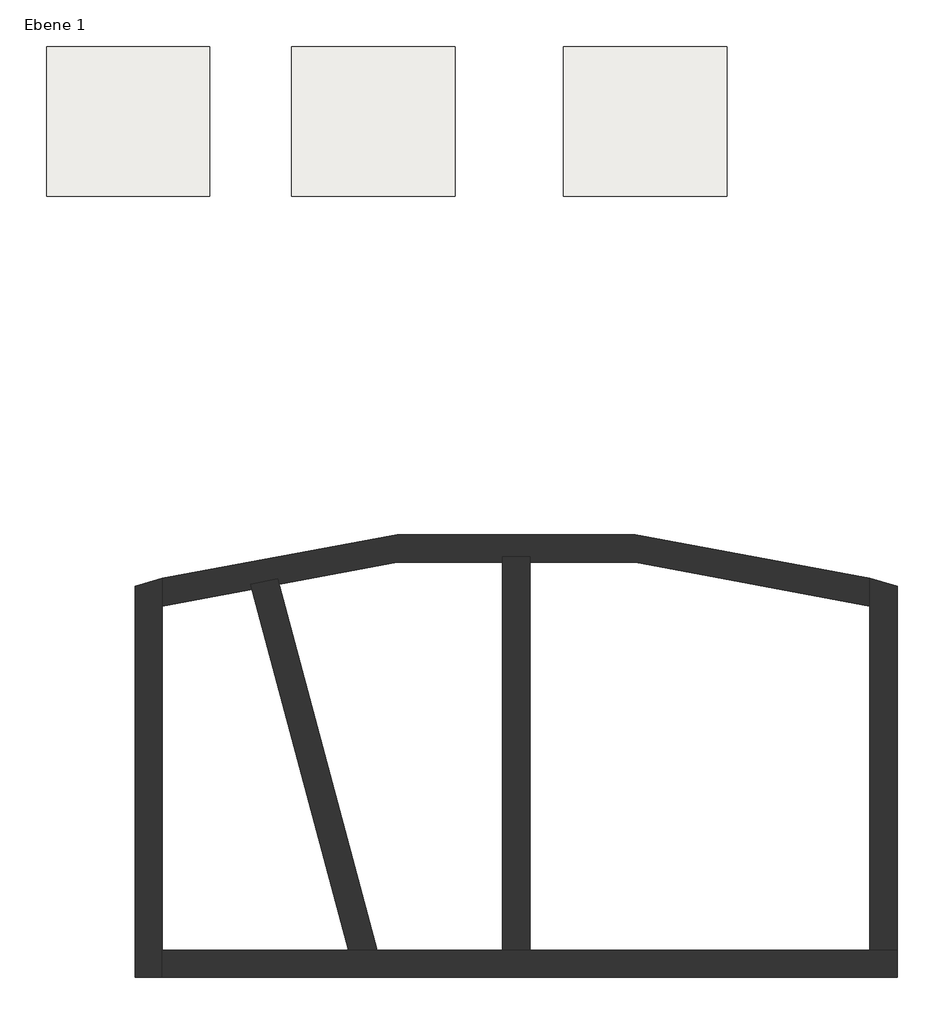
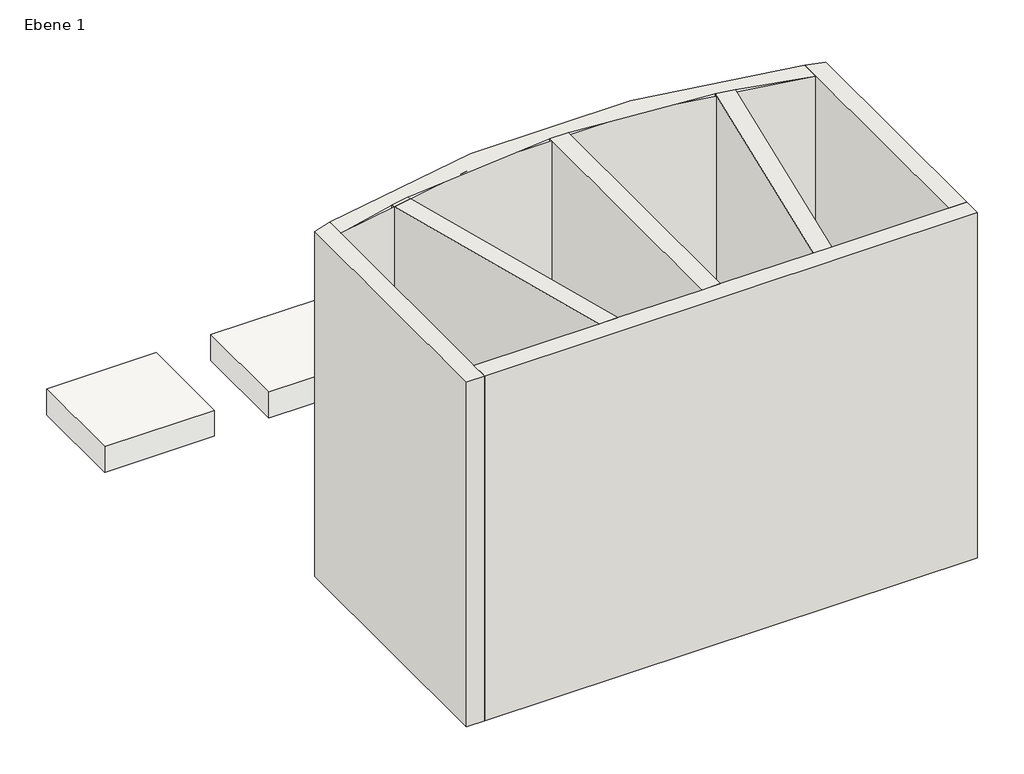
# One storey: 7 walls, 3 slabs.
"""IFC4 building model written with IfcOpenShell, lengths in millimetres."""

from ifc_helpers import new_model, si_unit, point, frame, frame_2d, origin, origin_with_axes, place, context, project, spatial, polyline, circle_curve, trimmed, segment, composite_curve, outline, extrude, faceted_brep, element, save
from ifc_brep_helpers import plane_surface, cylinder_surface, revolved_surface, advanced_brep

model = new_model("IFC4")

# Units and contexts
model_context = context("Model", 3, world=origin())
ifc_project = project(units=[si_unit("LENGTHUNIT", "METRE", prefix="MILLI")], contexts=[model_context])

# Site, building, storey
site = spatial("IfcSite", under=ifc_project)
building = spatial("IfcBuilding", under=site)
storey = spatial("IfcBuildingStorey", under=building, Name="Ebene 1", Elevation=0.0)

# Slabs
placement = place(None, origin())
element("IfcSlab", 1, at=placement, inside=storey, context=model_context, shape_type="SweptSolid", body=[
    extrude(outline(polyline([(4680.9918897, 8255.8015782), (4680.9918897, 7155.8015782), (3480.9918897, 7155.8015782), (3480.9918897, 8255.8015782), (4680.9918897, 8255.8015782)])), frame((0.0, 0.0, -300.0), z_axis=(0.0, 0.0, 1.0), x_axis=(1.0, 0.0, 0.0)), (0.0, 0.0, 1.0), 300.0),
])
element("IfcSlab", 2, ObjectType="FGS", at=placement, inside=storey, context=model_context, shape_type="SweptSolid", body=[
    extrude(outline(polyline([(880.9918897, 8255.8015782), (880.9918897, 7155.8015782), (-319.0081103, 7155.8015782), (-319.0081103, 8255.8015782), (880.9918897, 8255.8015782)])), frame((0.0, 0.0, -300.0), z_axis=(0.0, 0.0, 1.0), x_axis=(1.0, 0.0, 0.0)), (0.0, 0.0, 1.0), 300.0),
])
element("IfcSlab", 3, ObjectType="FLS", at=placement, inside=storey, context=model_context, shape_type="SweptSolid", body=[
    extrude(outline(polyline([(2680.9918897, 8255.8015782), (2680.9918897, 7155.8015782), (1480.9918897, 7155.8015782), (1480.9918897, 8255.8015782), (2680.9918897, 8255.8015782)])), frame((0.0, 0.0, -300.0), z_axis=(0.0, 0.0, 1.0), x_axis=(1.0, 0.0, 0.0)), (0.0, 0.0, 1.0), 300.0),
])

# Walls
element("IfcWall", 4, at=placement, inside=storey, context=model_context, shape_type="AdvancedBrep", body=[
    advanced_brep(
    [(531.985141, 1419.3100373, 0.0), (531.985141, 1619.3100373, 0.0), (531.985141, 4144.3005184, 0.0), (531.985141, 4352.2089597, 0.0), (531.985141, 4352.2089597, 4000.0), (531.985141, 4144.3005184, 4000.0), (531.985141, 1619.3100373, 4000.0), (531.985141, 1419.3100373, 4000.0), (331.985141, 1419.3100373, 0.0), (331.985141, 1419.3100373, 4000.0), (331.985141, 4293.7081002, 4000.0), (331.985141, 4293.7081002, 0.0)],
    [
        (0, 1),
        (1, 2),
        (2, 3),
        (3, 4),
        (4, 5),
        (5, 6),
        (6, 7),
        (7, 0),
        (8, 9),
        (9, 10),
        (10, 11),
        (11, 8),
        (0, 8),
        (11, 3, circle_curve(frame((3131.985141, -4907.675083, 0.0), z_axis=(0.0, 0.0, -1.0), x_axis=(1.0, 0.0, 0.0)), 9617.9754878)),
        (4, 10, circle_curve(frame((3131.985141, -4907.675083, 4000.0), z_axis=(0.0, 0.0, 1.0), x_axis=(1.0, 0.0, 0.0)), 9617.9754878)),
        (9, 7),
    ],
    [
        plane_surface(frame((531.985141, 3919.3100373, 0.0), z_axis=(1.0, 0.0, 0.0), x_axis=(0.0, 1.0, 0.0))),
        plane_surface(frame((331.985141, 3919.3100373, 0.0), z_axis=(-1.0, 0.0, 0.0), x_axis=(0.0, -1.0, 0.0))),
        plane_surface(frame((531.985141, 1519.3100373, 0.0), z_axis=(0.0, 0.0, -1.0), x_axis=(-1.0, 0.0, 0.0))),
        plane_surface(frame((531.985141, 4219.3100373, 4000.0), z_axis=(0.0, 0.0, 1.0), x_axis=(-1.0, 0.0, 0.0))),
        plane_surface(frame((5831.985141, 1419.3100373, 0.0), z_axis=(0.0, -1.0, 0.0), x_axis=(1.0, 0.0, 0.0))),
        cylinder_surface(frame((3131.985141, -4907.675083, 0.0), z_axis=(0.0, 0.0, 1.0), x_axis=(1.0, 0.0, 0.0)), 9617.9754878),
    ],
    [
        (0, [[1, 2, 3, 4, 5, 6, 7, 8]]),
        (1, [[9, 10, 11, 12]]),
        (2, [[-3, -2, -1, 13, -12, 14]]),
        (3, [[-7, -6, -5, 15, -10, 16]]),
        (4, [[-8, -16, -9, -13]]),
        (5, [[-4, -14, -11, -15]]),
    ],
),
])
element("IfcWall", 5, at=placement, inside=storey, context=model_context, shape_type="Brep", body=[
    faceted_brep([(5931.985141, 1619.3100373, 0.0), (5731.985141, 1619.3100373, 0.0), (4452.3845648, 1619.3100373, 0.0), (4248.9282651, 1619.3100373, 0.0), (3231.985141, 1619.3100373, 0.0), (3031.985141, 1619.3100373, 0.0), (2108.7178398, 1619.3100373, 0.0), (1901.6626037, 1619.3100373, 0.0), (531.985141, 1619.3100373, 0.0), (531.985141, 1619.3100373, 4000.0), (1901.6626037, 1619.3100373, 4000.0), (2108.7178398, 1619.3100373, 4000.0), (3031.985141, 1619.3100373, 4000.0), (3231.985141, 1619.3100373, 4000.0), (4248.9282651, 1619.3100373, 4000.0), (4452.3845648, 1619.3100373, 4000.0), (5731.985141, 1619.3100373, 4000.0), (5931.985141, 1619.3100373, 4000.0), (5931.985141, 1419.3100373, 0.0), (5931.985141, 1419.3100373, 4000.0), (531.985141, 1419.3100373, 4000.0), (531.985141, 1419.3100373, 0.0)], [[[0, 1, 2, 3, 4, 5, 6, 7, 8, 9, 10, 11, 12, 13, 14, 15, 16, 17]], [[18, 19, 20, 21]], [[8, 7, 6, 5, 4, 3, 2, 1, 0, 18, 21]], [[17, 16, 15, 14, 13, 12, 11, 10, 9, 20, 19]], [[0, 17, 19, 18]], [[9, 8, 21, 20]]]),
])
element("IfcWall", 6, at=placement, inside=storey, context=model_context, shape_type="AdvancedBrep", body=[
    advanced_brep(
    [(5731.985141, 4352.2089597, 0.0), (5731.985141, 4144.3005184, 0.0), (5731.985141, 1619.3100373, 0.0), (5731.985141, 1619.3100373, 4000.0), (5731.985141, 4144.3005184, 4000.0), (5731.985141, 4352.2089597, 4000.0), (5931.985141, 4293.7081002, 0.0), (5931.985141, 4293.7081002, 4000.0), (5931.985141, 1619.3100373, 4000.0), (5931.985141, 1619.3100373, 0.0)],
    [
        (0, 1),
        (1, 2),
        (2, 3),
        (3, 4),
        (4, 5),
        (5, 0),
        (6, 7),
        (7, 8),
        (8, 9),
        (9, 6),
        (0, 6, circle_curve(frame((3131.985141, -4907.675083, 0.0), z_axis=(0.0, 0.0, -1.0), x_axis=(1.0, 0.0, 0.0)), 9617.9754878)),
        (9, 2),
        (3, 8),
        (7, 5, circle_curve(frame((3131.985141, -4907.675083, 4000.0), z_axis=(0.0, 0.0, 1.0), x_axis=(1.0, 0.0, 0.0)), 9617.9754878)),
    ],
    [
        plane_surface(frame((5731.985141, 4219.3100373, 0.0), z_axis=(-1.0, 0.0, 0.0), x_axis=(0.0, -1.0, 0.0))),
        plane_surface(frame((5931.985141, 4219.3100373, 0.0), z_axis=(1.0, 0.0, 0.0), x_axis=(0.0, 1.0, 0.0))),
        plane_surface(frame((5731.985141, 4219.3100373, 0.0), z_axis=(0.0, 0.0, -1.0), x_axis=(1.0, 0.0, 0.0))),
        plane_surface(frame((5731.985141, 1519.3100373, 4000.0), z_axis=(0.0, 0.0, 1.0), x_axis=(1.0, 0.0, 0.0))),
        cylinder_surface(frame((3131.985141, -4907.675083, 0.0), z_axis=(0.0, 0.0, 1.0), x_axis=(1.0, 0.0, 0.0)), 9617.9754878),
        plane_surface(frame((5831.985141, 1619.3100373, 0.0), z_axis=(0.0, -1.0, 0.0), x_axis=(-1.0, 0.0, 0.0))),
    ],
    [
        (0, [[1, 2, 3, 4, 5, 6]]),
        (1, [[7, 8, 9, 10]]),
        (2, [[-2, -1, 11, -10, 12]]),
        (3, [[-5, -4, 13, -8, 14]]),
        (4, [[-6, -14, -7, -11]]),
        (5, [[-3, -12, -9, -13]]),
    ],
),
])
element("IfcWall", 7, at=placement, inside=storey, context=model_context, shape_type="AdvancedBrep", body=[
    advanced_brep(
    [(5731.985141, 4352.2089597, 4000.0), (531.985141, 4352.2089597, 4000.0), (531.985141, 4144.3005184, 4000.0), (1181.7215376, 4306.1587585, 4000.0), (1378.2227656, 4345.5716217, 4000.0), (3031.9785841, 4509.76923, 4000.0), (3231.9862487, 4509.7694617, 4000.0), (4762.1653086, 4368.1414114, 4000.0), (4958.764131, 4331.4341643, 4000.0), (5731.985141, 4144.3005184, 4000.0), (5731.985141, 4352.2089597, 0.0), (5731.985141, 4144.3005184, 0.0), (4958.764131, 4331.4341643, 0.0), (4762.1653086, 4368.1414114, 0.0), (3231.9862487, 4509.7694617, 0.0), (3031.9785841, 4509.76923, 0.0), (1378.2227656, 4345.5716217, 0.0), (1181.7215376, 4306.1587585, 0.0), (531.985141, 4144.3005184, 0.0), (531.985141, 4352.2089597, 0.0)],
    [
        (0, 1, circle_curve(frame((3131.985141, -4907.675083, 4000.0), z_axis=(0.0, 0.0, 1.0), x_axis=(1.0, 0.0, 0.0)), 9617.9754878)),
        (1, 2),
        (2, 3, circle_curve(frame((3131.985141, -4907.675083, 4000.0), z_axis=(0.0, 0.0, -1.0), x_axis=(1.0, 0.0, 0.0)), 9417.9754878)),
        (3, 4, circle_curve(frame((3131.985141, -4907.675083, 4000.0), z_axis=(0.0, 0.0, -1.0), x_axis=(1.0, 0.0, 0.0)), 9417.9754821)),
        (4, 5, circle_curve(frame((3131.985141, -4907.675083, 4000.0), z_axis=(0.0, 0.0, -1.0), x_axis=(1.0, 0.0, 0.0)), 9417.9752095)),
        (5, 6, circle_curve(frame((3131.985141, -4907.675083, 4000.0), z_axis=(0.0, 0.0, -1.0), x_axis=(1.0, 0.0, 0.0)), 9417.9752973)),
        (6, 7, circle_curve(frame((3131.985141, -4907.675083, 4000.0), z_axis=(0.0, 0.0, -1.0), x_axis=(1.0, 0.0, 0.0)), 9417.975471)),
        (7, 8, circle_curve(frame((3131.985141, -4907.675083, 4000.0), z_axis=(0.0, 0.0, -1.0), x_axis=(1.0, 0.0, 0.0)), 9417.9753141)),
        (8, 9, circle_curve(frame((3131.985141, -4907.675083, 4000.0), z_axis=(0.0, 0.0, -1.0), x_axis=(1.0, 0.0, 0.0)), 9417.9754279)),
        (9, 0),
        (10, 11),
        (11, 12, circle_curve(frame((3131.985141, -4907.675083, 0.0), z_axis=(0.0, 0.0, 1.0), x_axis=(1.0, 0.0, 0.0)), 9417.9754878)),
        (12, 13, circle_curve(frame((3131.985141, -4907.675083, 0.0), z_axis=(0.0, 0.0, 1.0), x_axis=(1.0, 0.0, 0.0)), 9417.9754279)),
        (13, 14, circle_curve(frame((3131.985141, -4907.675083, 0.0), z_axis=(0.0, 0.0, 1.0), x_axis=(1.0, 0.0, 0.0)), 9417.9753141)),
        (14, 15, circle_curve(frame((3131.985141, -4907.675083, 0.0), z_axis=(0.0, 0.0, 1.0), x_axis=(1.0, 0.0, 0.0)), 9417.975471)),
        (15, 16, circle_curve(frame((3131.985141, -4907.675083, 0.0), z_axis=(0.0, 0.0, 1.0), x_axis=(1.0, 0.0, 0.0)), 9417.9752973)),
        (16, 17, circle_curve(frame((3131.985141, -4907.675083, 0.0), z_axis=(0.0, 0.0, 1.0), x_axis=(1.0, 0.0, 0.0)), 9417.9752095)),
        (17, 18, circle_curve(frame((3131.985141, -4907.675083, 0.0), z_axis=(0.0, 0.0, 1.0), x_axis=(1.0, 0.0, 0.0)), 9417.9754821)),
        (18, 19),
        (19, 10, circle_curve(frame((3131.985141, -4907.675083, 0.0), z_axis=(0.0, 0.0, -1.0), x_axis=(1.0, 0.0, 0.0)), 9617.9754878)),
        (0, 10),
        (19, 1),
        (2, 18),
        (11, 9),
    ],
    [
        plane_surface(frame((12749.9606288, -4907.675083, 4000.0), z_axis=(0.0, 0.0, 1.0), x_axis=(0.0, 1.0, 0.0))),
        plane_surface(frame((12749.9606288, -4907.675083, 0.0), z_axis=(0.0, 0.0, -1.0), x_axis=(0.0, -1.0, 0.0))),
        cylinder_surface(frame((3131.985141, -4907.675083, 0.0), z_axis=(0.0, 0.0, 1.0), x_axis=(1.0, 0.0, 0.0)), 9617.9754878),
        revolved_surface(polyline([(12549.9606288, -4907.675083, 0.0), (12549.9606288, -4907.675083, 4000.0)]), (3131.985141, -4907.675083, 0.0), (0.0, 0.0, -1.0)),
        plane_surface(frame((531.985141, 3919.3100373, 0.0), z_axis=(-1.0, 0.0, 0.0), x_axis=(0.0, 1.0, 0.0))),
        plane_surface(frame((5731.985141, 4219.3100373, 0.0), z_axis=(1.0, 0.0, 0.0), x_axis=(0.0, -1.0, 0.0))),
    ],
    [
        (0, [[1, 2, 3, 4, 5, 6, 7, 8, 9, 10]]),
        (1, [[11, 12, 13, 14, 15, 16, 17, 18, 19, 20]]),
        (2, [[-1, 21, -20, 22]]),
        (3, [[-9, -8, -7, -6, -5, -4, -3, 23, -18, -17, -16, -15, -14, -13, -12, 24]]),
        (4, [[-2, -22, -19, -23]]),
        (5, [[-10, -24, -11, -21]]),
    ],
),
])
element("IfcWall", 8, at=placement, inside=storey, context=model_context, shape_type="SweptSolid", body=[
    extrude(outline(composite_curve([segment(polyline([(1378.2183959, 4345.5710768), (2108.7178398, 1619.3100373), (1901.6626037, 1619.3100373), (1181.7235434, 4306.1591889)]), True, "CONTINUOUS"), segment(trimmed(circle_curve(frame_2d((3131.985141, -4907.675083)), 9417.9754878), [point((1181.7235434, 4306.1591889))], [point((1378.2183959, 4345.5710768))], False, "CARTESIAN"), True, "CONTINUOUS")], self_intersect=False)), origin_with_axes(), (0.0, 0.0, 1.0), 4000.0),
])
element("IfcWall", 9, at=placement, inside=storey, context=model_context, shape_type="SweptSolid", body=[
    extrude(outline(composite_curve([segment(polyline([(3231.985141, 4509.7694902), (3231.985141, 1619.3100373), (3031.985141, 1619.3100373), (3031.985141, 4509.7694902)]), True, "CONTINUOUS"), segment(trimmed(circle_curve(frame_2d((3131.985141, -4907.675083)), 9417.9754878), [point((3031.985141, 4509.7694902))], [point((3231.985141, 4509.7694902))], False, "CARTESIAN"), True, "CONTINUOUS")], self_intersect=False)), origin_with_axes(), (0.0, 0.0, 1.0), 4000.0),
])
element("IfcWall", 10, at=placement, inside=storey, context=model_context, shape_type="SweptSolid", body=[
    extrude(outline(composite_curve([segment(polyline([(4958.7723973, 4331.4325909), (4452.3845648, 1619.3100373), (4248.9282651, 1619.3100373), (4762.1699816, 4368.1407665)]), True, "CONTINUOUS"), segment(trimmed(circle_curve(frame_2d((3131.985141, -4907.675083)), 9417.9754878), [point((4762.1699816, 4368.1407665))], [point((4958.7723973, 4331.4325909))], False, "CARTESIAN"), True, "CONTINUOUS")], self_intersect=False)), origin_with_axes(), (0.0, 0.0, 1.0), 4000.0),
])

save(model, "model.ifc")
